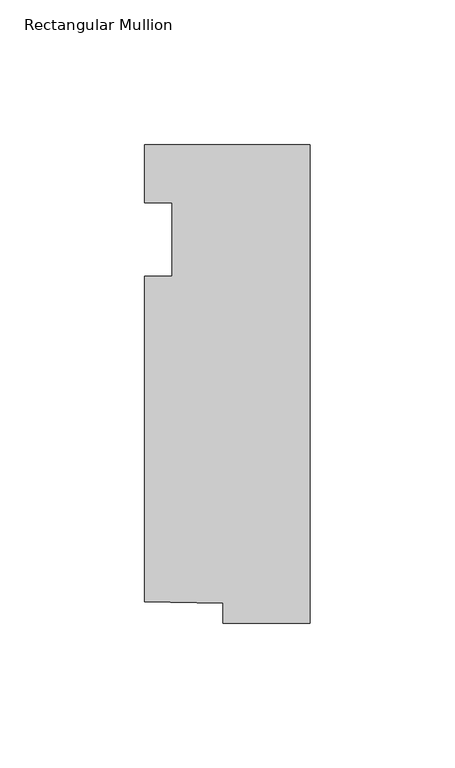
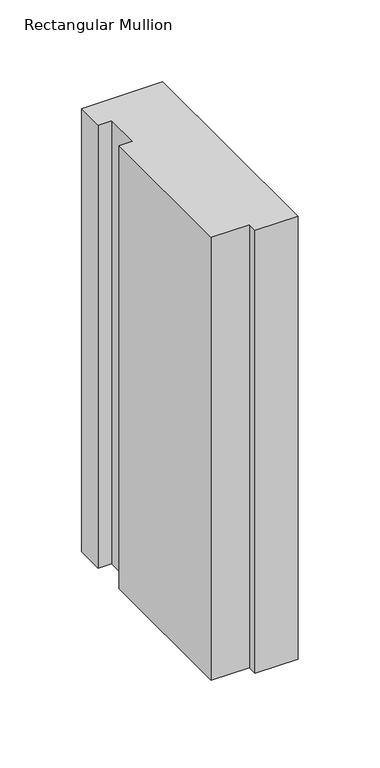
"""IFC4 building model written with IfcOpenShell, lengths in millimetres: member geometry, Rectangular Mullion."""

from ifc_helpers import new_model, si_unit, frame, origin, place, context, project, spatial, polyline, outline, extrude, source, transform, mapped, element, save


def rectangular_mullion_bc4d0bc2(model_context):
    return source(origin(), model_context, "Body", "SweptSolid", [
        extrude(outline(polyline([(-57.15, 20.0421875), (0.0, 20.0421875), (0.0, -145.0578125), (-30.1058007, -145.0578125), (-30.1058007, -138.1500349), (-57.15, -137.6601403), (-57.15, -25.4), (-47.625, -25.4), (-47.625, 0.0), (-57.15, 0.0), (-57.15, 20.0421875)])), frame((0.0, 0.0, -330.2), z_axis=(0.0, 0.0, 1.0), x_axis=(1.0, 0.0, 0.0)), (0.0, 0.0, 1.0), 330.2),
    ])


if __name__ == "__main__":
    model = new_model("IFC4")
    model_context = context("Model", 3, world=origin())
    ifc_project = project(units=[si_unit("LENGTHUNIT", "METRE", prefix="MILLI")], contexts=[model_context])
    site = spatial("IfcSite", under=ifc_project)
    building = spatial("IfcBuilding", under=site)
    placement = place(None, origin())
    rectangular_mullion_shape = rectangular_mullion_bc4d0bc2(model_context)
    element("IfcMember", 1, ObjectType="Rectangular Mullion", at=placement, inside=building, context=model_context, shape_type="MappedRepresentation", body=[
        mapped(rectangular_mullion_shape, transform((0.0, 0.0, 0.0), x_axis=(1.0, 0.0, 0.0), y_axis=(0.0, 1.0, 0.0), z_axis=(0.0, 0.0, 1.0))),
    ])
    save(model, "model.ifc")
